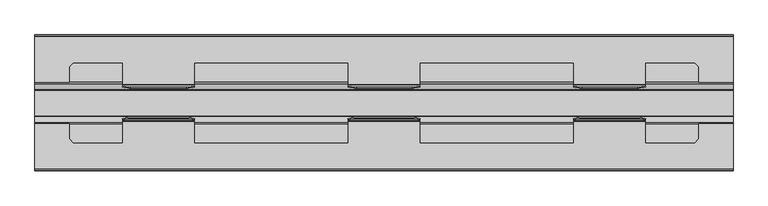
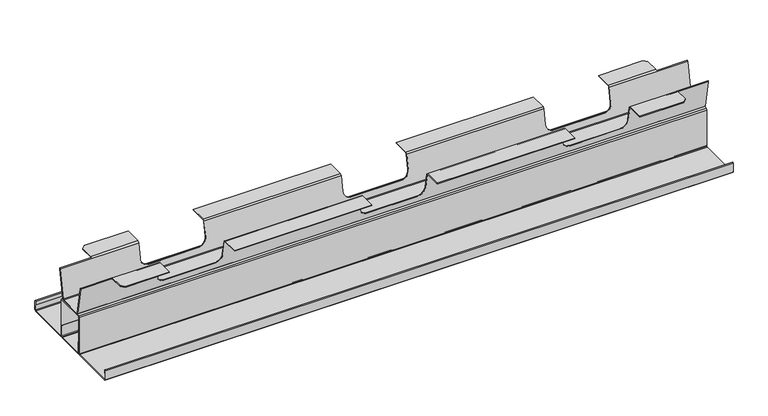
"""IFC4 building model written with IfcOpenShell, lengths in millimetres: furniture geometry."""

from ifc_helpers import new_model, si_unit, frame, origin, place, context, project, spatial, polyline, ellipse_curve, outline, extrude, source, transform, mapped, element, save
from ifc_brep_helpers import plane_surface, revolved_surface, advanced_brep


def furniture_8e0748b3(model_context):
    return source(origin(), model_context, "Body", "SolidModel", [
        extrude(outline(polyline([(66.6337896, 555.0452788), (151.2162125, 555.0452788), (152.4249985, 556.2540919), (152.4249985, 567.9120649), (151.0390002, 567.9120649), (151.0390002, 574.612092), (152.3390026, 575.9120853), (153.639005, 574.612092), (153.639005, 556.2540919), (151.211001, 553.8260788), (66.6390011, 553.8260788), (64.2110016, 556.2540919), (64.2110016, 630.3621048), (62.9969996, 631.5760569), (6.8530002, 631.5760569), (5.6389999, 630.3621048), (5.6389999, 556.2540936), (3.2109987, 553.8260788), (-81.3610012, 553.8260788), (-83.7890052, 556.2540919), (-83.7890052, 574.612092), (-82.4890028, 575.9120853), (-81.1890004, 574.612092), (-81.1890004, 567.9120649), (-82.5749987, 567.9120649), (-82.5749987, 556.2540919), (-81.3662127, 555.0452788), (3.2162102, 555.0452788), (4.4249999, 556.2540911), (4.4249999, 630.3621048), (6.8529276, 632.7900089), (62.9970722, 632.7900089), (65.4249991, 630.3621048), (65.4249991, 556.2540919), (66.6337896, 555.0452788)])), frame((74.6252, 0.0, 0.0), z_axis=(1.0, 0.0, 0.0), x_axis=(0.0, 1.0, 0.0)), (0.0, 0.0, 1.0), 1219.2),
        extrude(outline(polyline([(63.7110003, 555.6500954), (61.8870019, 553.8260788), (7.9630002, 553.8260788), (6.1390001, 555.6500954), (6.1390001, 578.826079), (7.0509998, 578.826079), (7.0509998, 555.6500954), (7.9630002, 554.7380871), (61.8870019, 554.7380871), (62.7990011, 555.6500954), (62.7990011, 578.826079), (63.7110003, 578.826079), (63.7110003, 555.6500954)])), frame((74.6252, 0.0, 0.0), z_axis=(1.0, 0.0, 0.0), x_axis=(0.0, 1.0, 0.0)), (0.0, 0.0, 1.0), 1219.2),
        advanced_brep(
        [(1293.8252, 68.6658146, 691.798691), (1293.8252, 58.7501476, 635.5641855), (1293.8252, 57.2543041, 634.3090296), (1293.8252, 12.6088257, 634.3090296), (1293.8252, 11.1129541, 635.5642082), (1293.8252, 1.1973192, 691.7986891), (1293.8252, -0.2985251, 693.0538451), (1293.8252, -0.2985251, 691.534897), (1293.8252, 9.6171096, 635.300416), (1293.8252, 12.6174087, 632.7900089), (1293.8252, 57.24572, 632.7900089), (1293.8252, 60.2459911, 635.3003935), (1293.8252, 70.1616581, 691.534899), (1293.8252, 70.1616581, 693.0538469), (74.6252, 70.1616581, 691.534899), (74.6252, 60.2459911, 635.3003935), (74.6252, 57.24572, 632.7900089), (74.6252, 12.6174087, 632.7900089), (74.6252, 9.6171096, 635.300416), (74.6252, -0.2985251, 691.534897), (74.6252, -0.2985251, 693.0538451), (74.6252, 1.1973192, 691.7986891), (74.6252, 11.1129541, 635.5642082), (74.6252, 12.6088257, 634.3090296), (74.6252, 57.2543041, 634.3090296), (74.6252, 58.7501476, 635.5641855), (74.6252, 68.6658146, 691.798691), (74.6252, 70.1616581, 693.0538469), (354.0125121, 104.1084527, 694.309001), (354.0125121, 71.6574993, 694.309001), (620.7252, 71.6574993, 694.309001), (620.7252, 104.1084527, 694.309001), (227.0125015, 71.6574993, 694.309001), (227.0125015, 104.1084527, 694.309001), (141.7625043, 104.1084527, 694.309001), (135.4201015, 97.7660499, 694.309001), (135.4201015, 71.6574993, 694.309001), (747.7252, 104.1084527, 694.309001), (747.7252, 71.6574993, 694.309001), (1014.4125015, 71.6574993, 694.309001), (1014.4125015, 104.1084527, 694.309001), (1141.4125015, 104.1084527, 694.309001), (1141.4125015, 71.6574993, 694.309001), (1233.0049015, 71.6574993, 694.309001), (1233.0049015, 97.7660544, 694.309001), (1226.6624578, 104.1084527, 694.309001), (227.0125015, 68.6658146, 691.798691), (135.4201015, 70.1616581, 693.0538469), (354.0125121, 68.6658146, 691.798691), (620.7252, 68.6658146, 691.798691), (747.7252, 68.6658146, 691.798691), (1014.4125015, 68.6658146, 691.798691), (1141.4125015, 68.6658146, 691.798691), (1233.0049015, 70.1616581, 693.0538469), (1141.4125015, 63.4659817, 662.308992), (1126.412545, 60.8210829, 647.3090355), (1029.4123992, 60.8210829, 647.3090355), (1014.4125015, 63.4659713, 662.3089332), (747.7252, 63.4659881, 662.3090283), (732.7252072, 60.8210829, 647.3090355), (635.7251565, 60.8210829, 647.3090355), (620.7252, 63.4659817, 662.308992), (354.0125121, 63.4659945, 662.3090647), (339.0124829, 60.8210829, 647.3090355), (242.0124589, 60.8210829, 647.3090355), (227.0125015, 63.4659818, 662.3089929), (227.0125015, 1.1973192, 691.7986891), (227.0125015, 6.3971371, 662.3089929), (242.0124589, 9.0420286, 647.3090355), (339.0124829, 9.0420286, 647.3090355), (354.0125121, 6.3971244, 662.3090647), (354.0125121, 1.1973192, 691.7986891), (620.7252, 1.1973192, 691.7986891), (620.7252, 6.3971372, 662.308992), (635.7251565, 9.0420286, 647.3090355), (732.7252072, 9.0420286, 647.3090355), (747.7252, 6.3971308, 662.3090283), (747.7252, 1.1973192, 691.7986891), (1014.4125015, 1.1973192, 691.7986891), (1014.4125015, 6.3971476, 662.3089332), (1029.4123992, 9.0420286, 647.3090355), (1126.412545, 9.0420286, 647.3090355), (1141.4125015, 6.3971372, 662.308992), (1141.4125015, 1.1973192, 691.7986891), (135.4201015, -0.2985251, 693.0538451), (135.4201015, -1.7943692, 694.309001), (227.0125015, -1.7943692, 694.309001), (1141.4125015, -1.7943692, 694.309001), (1233.0049015, -1.7943692, 694.309001), (1233.0049015, -0.2985251, 693.0538451), (354.0125121, -1.7943692, 694.309001), (620.7252, -1.7943692, 694.309001), (747.7252, -1.7943692, 694.309001), (1014.4125015, -1.7943692, 694.309001), (354.0125121, -34.2453184, 694.309001), (620.7252, -34.2453184, 694.309001), (227.0125015, -34.2453184, 694.309001), (135.4201015, -27.9029201, 694.309001), (141.7625043, -34.2453184, 694.309001), (747.7252, -34.2453184, 694.309001), (1014.4125015, -34.2453184, 694.309001), (1141.4125015, -34.2453184, 694.309001), (1226.6624578, -34.2453184, 694.309001), (1233.0049015, -27.9029246, 694.309001), (354.0125121, -34.2453184, 692.790053), (620.7252, -34.2453184, 692.790053), (227.0125015, -34.2453184, 692.790053), (141.7625043, -34.2453184, 692.790053), (747.7252, -34.2453184, 692.790053), (1014.4125015, -34.2453184, 692.790053), (1141.4125015, -34.2453184, 692.790053), (1226.6624578, -34.2453184, 692.790053), (354.0125121, -1.7943692, 692.790053), (620.7252, -1.7943692, 692.790053), (227.0125015, -1.7943692, 692.790053), (135.4201015, -27.9029201, 692.790053), (135.4201015, -1.7943692, 692.790053), (747.7252, -1.7943692, 692.790053), (1014.4125015, -1.7943692, 692.790053), (1141.4125015, -1.7943692, 692.790053), (1233.0049015, -1.7943692, 692.790053), (1233.0049015, -27.9029246, 692.790053), (354.0125121, -0.2985251, 691.534897), (620.7252, -0.2985251, 691.534897), (227.0125015, -0.2985251, 691.534897), (135.4201015, -0.2985251, 691.534897), (747.7252, -0.2985251, 691.534897), (1014.4125015, -0.2985251, 691.534897), (1141.4125015, -0.2985251, 691.534897), (1233.0049015, -0.2985251, 691.534897), (1141.4125015, 4.8547793, 662.308992), (1126.412545, 7.4996706, 647.3090355), (1029.4123992, 7.4996706, 647.3090355), (1014.4125015, 4.8547897, 662.3089332), (747.7252, 4.8547729, 662.3090283), (732.7252072, 7.4996706, 647.3090355), (635.7251565, 7.4996706, 647.3090355), (620.7252, 4.8547793, 662.308992), (354.0125121, 4.8547665, 662.3090647), (339.0124829, 7.4996706, 647.3090355), (242.0124589, 7.4996706, 647.3090355), (227.0125015, 4.8547791, 662.3089929), (135.4201015, 70.1616581, 691.534899), (227.0125015, 70.1616581, 691.534899), (227.0125015, 65.008339, 662.3089929), (242.0124589, 62.36344, 647.3090355), (339.0124829, 62.36344, 647.3090355), (354.0125121, 65.0083516, 662.3090647), (354.0125121, 70.1616581, 691.534899), (620.7252, 70.1616581, 691.534899), (620.7252, 65.0083388, 662.308992), (635.7251565, 62.36344, 647.3090355), (732.7252072, 62.36344, 647.3090355), (747.7252, 65.0083452, 662.3090283), (747.7252, 70.1616581, 691.534899), (1014.4125015, 70.1616581, 691.534899), (1014.4125015, 65.0083284, 662.3089332), (1029.4123992, 62.36344, 647.3090355), (1126.412545, 62.36344, 647.3090355), (1141.4125015, 65.0083388, 662.308992), (1141.4125015, 70.1616581, 691.534899), (1233.0049015, 70.1616581, 691.534899), (354.0125121, 71.6574993, 692.790053), (620.7252, 71.6574993, 692.790053), (227.0125015, 71.6574993, 692.790053), (135.4201015, 71.6574993, 692.790053), (747.7252, 71.6574993, 692.790053), (1014.4125015, 71.6574993, 692.790053), (1141.4125015, 71.6574993, 692.790053), (1233.0049015, 71.6574993, 692.790053), (354.0125121, 104.1084527, 692.790053), (620.7252, 104.1084527, 692.790053), (227.0125015, 104.1084527, 692.790053), (135.4201015, 97.7660499, 692.790053), (141.7625043, 104.1084527, 692.790053), (747.7252, 104.1084527, 692.790053), (1014.4125015, 104.1084527, 692.790053), (1141.4125015, 104.1084527, 692.790053), (1226.6624578, 104.1084527, 692.790053), (1233.0049015, 97.7660544, 692.790053)],
        [
            (0, 1),
            (1, 2),
            (2, 3),
            (3, 4),
            (4, 5),
            (5, 6),
            (6, 7),
            (7, 8),
            (8, 9),
            (9, 10),
            (10, 11),
            (11, 12),
            (12, 13),
            (13, 0),
            (14, 15),
            (15, 16),
            (16, 17),
            (17, 18),
            (18, 19),
            (19, 20),
            (20, 21),
            (21, 22),
            (22, 23),
            (23, 24),
            (24, 25),
            (25, 26),
            (26, 27),
            (27, 14),
            (28, 29),
            (29, 30),
            (30, 31),
            (31, 28),
            (32, 33),
            (33, 34),
            (34, 35),
            (35, 36),
            (36, 32),
            (37, 38),
            (38, 39),
            (39, 40),
            (40, 37),
            (41, 42),
            (42, 43),
            (43, 44),
            (44, 45),
            (45, 41),
            (26, 46),
            (46, 32),
            (36, 47),
            (47, 27),
            (29, 48),
            (48, 49),
            (49, 30),
            (38, 50),
            (50, 51),
            (51, 39),
            (52, 0),
            (13, 53),
            (53, 43),
            (42, 52),
            (52, 54),
            (54, 55, ellipse_curve(frame((1126.412545, 63.4659817, 662.308992), z_axis=(0.0, 0.984807733616993, -0.17364828766262555), x_axis=(0.0, -0.17364828766262422, -0.984807733616993)), 15.2313553, 14.9999565)),
            (55, 56),
            (56, 57, ellipse_curve(frame((1029.4123992, 63.4659713, 662.3089332), z_axis=(0.0, 0.984807733616993, -0.17364828766262555), x_axis=(0.0, -0.17364828766262422, -0.984807733616993)), 15.2312956, 14.9998977)),
            (57, 51),
            (50, 58),
            (58, 59, ellipse_curve(frame((732.7252072, 63.4659881, 662.3090283), z_axis=(0.0, 0.984807733616993, -0.17364828766262555), x_axis=(0.0, -0.17364828766262422, -0.984807733616993)), 15.2313922, 14.9999928)),
            (59, 60),
            (60, 61, ellipse_curve(frame((635.7251565, 63.4659817, 662.308992), z_axis=(0.0, 0.984807733616993, -0.17364828766262555), x_axis=(0.0, -0.17364828766262422, -0.984807733616993)), 15.2313553, 14.9999565)),
            (61, 49),
            (48, 62),
            (62, 63, ellipse_curve(frame((339.0124829, 63.4659945, 662.3090647), z_axis=(0.0, 0.984807733616993, -0.17364828766262555), x_axis=(0.0, -0.17364828766262422, -0.984807733616993)), 15.2314291, 15.0000292)),
            (63, 64),
            (64, 65, ellipse_curve(frame((242.0124589, 63.4659818, 662.3089929), z_axis=(0.0, 0.984807733616993, -0.17364828766262555), x_axis=(0.0, -0.17364828766262422, -0.984807733616993)), 15.2313563, 14.9999574)),
            (65, 46),
            (25, 1),
            (24, 2),
            (23, 3),
            (22, 4),
            (21, 66),
            (66, 67),
            (67, 68, ellipse_curve(frame((242.0124589, 6.3971371, 662.3089929), z_axis=(0.0, -0.9848078168567894, -0.17364781558592796), x_axis=(0.0, -0.17364781558592746, 0.9848078168567894)), 15.231355, 14.9999574)),
            (68, 69),
            (69, 70, ellipse_curve(frame((339.0124829, 6.3971244, 662.3090647), z_axis=(0.0, -0.9848078168567894, -0.17364781558592796), x_axis=(0.0, -0.17364781558592746, 0.9848078168567894)), 15.2314278, 15.0000292)),
            (70, 71),
            (71, 72),
            (72, 73),
            (73, 74, ellipse_curve(frame((635.7251565, 6.3971372, 662.308992), z_axis=(0.0, -0.9848078168567894, -0.17364781558592796), x_axis=(0.0, -0.17364781558592746, 0.9848078168567894)), 15.231354, 14.9999565)),
            (74, 75),
            (75, 76, ellipse_curve(frame((732.7252072, 6.3971308, 662.3090283), z_axis=(0.0, -0.9848078168567894, -0.17364781558592796), x_axis=(0.0, -0.17364781558592746, 0.9848078168567894)), 15.2313909, 14.9999928)),
            (76, 77),
            (77, 78),
            (78, 79),
            (79, 80, ellipse_curve(frame((1029.4123992, 6.3971476, 662.3089332), z_axis=(0.0, -0.9848078168567894, -0.17364781558592796), x_axis=(0.0, -0.17364781558592746, 0.9848078168567894)), 15.2312943, 14.9998977)),
            (80, 81),
            (81, 82, ellipse_curve(frame((1126.412545, 6.3971372, 662.308992), z_axis=(0.0, -0.9848078168567894, -0.17364781558592796), x_axis=(0.0, -0.17364781558592746, 0.9848078168567894)), 15.231354, 14.9999565)),
            (82, 83),
            (83, 5),
            (20, 84),
            (84, 85),
            (85, 86),
            (86, 66),
            (83, 87),
            (87, 88),
            (88, 89),
            (89, 6),
            (71, 90),
            (90, 91),
            (91, 72),
            (77, 92),
            (92, 93),
            (93, 78),
            (90, 94),
            (94, 95),
            (95, 91),
            (96, 86),
            (85, 97),
            (97, 98),
            (98, 96),
            (92, 99),
            (99, 100),
            (100, 93),
            (87, 101),
            (101, 102),
            (102, 103),
            (103, 88),
            (94, 104),
            (104, 105),
            (105, 95),
            (106, 96),
            (98, 107),
            (107, 106),
            (99, 108),
            (108, 109),
            (109, 100),
            (101, 110),
            (110, 111),
            (111, 102),
            (104, 112),
            (112, 113),
            (113, 105),
            (114, 106),
            (107, 115),
            (115, 116),
            (116, 114),
            (108, 117),
            (117, 118),
            (118, 109),
            (110, 119),
            (119, 120),
            (120, 121),
            (121, 111),
            (112, 122),
            (122, 123),
            (123, 113),
            (124, 114),
            (116, 125),
            (125, 124),
            (117, 126),
            (126, 127),
            (127, 118),
            (119, 128),
            (128, 129),
            (129, 120),
            (7, 129),
            (128, 130),
            (130, 131, ellipse_curve(frame((1126.412545, 4.8547793, 662.308992), z_axis=(0.0, 0.9848078178123786, 0.1736478101665005), x_axis=(0.0, -0.17364781016650066, 0.9848078178123785)), 15.231354, 14.9999565)),
            (131, 132),
            (132, 133, ellipse_curve(frame((1029.4123992, 4.8547897, 662.3089332), z_axis=(0.0, 0.9848078178123786, 0.1736478101665005), x_axis=(0.0, -0.17364781016650066, 0.9848078178123785)), 15.2312943, 14.9998977)),
            (133, 127),
            (126, 134),
            (134, 135, ellipse_curve(frame((732.7252072, 4.8547729, 662.3090283), z_axis=(0.0, 0.9848078178123786, 0.1736478101665005), x_axis=(0.0, -0.17364781016650066, 0.9848078178123785)), 15.2313909, 14.9999928)),
            (135, 136),
            (136, 137, ellipse_curve(frame((635.7251565, 4.8547793, 662.308992), z_axis=(0.0, 0.9848078178123786, 0.1736478101665005), x_axis=(0.0, -0.17364781016650066, 0.9848078178123785)), 15.231354, 14.9999565)),
            (137, 123),
            (122, 138),
            (138, 139, ellipse_curve(frame((339.0124829, 4.8547665, 662.3090647), z_axis=(0.0, 0.9848078178123786, 0.1736478101665005), x_axis=(0.0, -0.17364781016650066, 0.9848078178123785)), 15.2314278, 15.0000292)),
            (139, 140),
            (140, 141, ellipse_curve(frame((242.0124589, 4.8547791, 662.3089929), z_axis=(0.0, 0.9848078178123786, 0.1736478101665005), x_axis=(0.0, -0.17364781016650066, 0.9848078178123785)), 15.2313549, 14.9999574)),
            (141, 124),
            (125, 19),
            (18, 8),
            (17, 9),
            (16, 10),
            (15, 11),
            (14, 142),
            (142, 143),
            (143, 144),
            (144, 145, ellipse_curve(frame((242.0124589, 65.008339, 662.3089929), z_axis=(0.0, -0.984807733616993, 0.17364828766262555), x_axis=(0.0, -0.17364828766262422, -0.984807733616993)), 15.2313563, 14.9999574)),
            (145, 146),
            (146, 147, ellipse_curve(frame((339.0124829, 65.0083516, 662.3090647), z_axis=(0.0, -0.984807733616993, 0.17364828766262555), x_axis=(0.0, -0.17364828766262422, -0.984807733616993)), 15.2314291, 15.0000292)),
            (147, 148),
            (148, 149),
            (149, 150),
            (150, 151, ellipse_curve(frame((635.7251565, 65.0083388, 662.308992), z_axis=(0.0, -0.984807733616993, 0.17364828766262555), x_axis=(0.0, -0.17364828766262422, -0.984807733616993)), 15.2313553, 14.9999565)),
            (151, 152),
            (152, 153, ellipse_curve(frame((732.7252072, 65.0083452, 662.3090283), z_axis=(0.0, -0.984807733616993, 0.17364828766262555), x_axis=(0.0, -0.17364828766262422, -0.984807733616993)), 15.2313922, 14.9999928)),
            (153, 154),
            (154, 155),
            (155, 156),
            (156, 157, ellipse_curve(frame((1029.4123992, 65.0083284, 662.3089332), z_axis=(0.0, -0.984807733616993, 0.17364828766262555), x_axis=(0.0, -0.17364828766262422, -0.984807733616993)), 15.2312956, 14.9998977)),
            (157, 158),
            (158, 159, ellipse_curve(frame((1126.412545, 65.0083388, 662.308992), z_axis=(0.0, -0.984807733616993, 0.17364828766262555), x_axis=(0.0, -0.17364828766262422, -0.984807733616993)), 15.2313553, 14.9999565)),
            (159, 160),
            (160, 161),
            (161, 12),
            (148, 162),
            (162, 163),
            (163, 149),
            (164, 143),
            (142, 165),
            (165, 164),
            (154, 166),
            (166, 167),
            (167, 155),
            (160, 168),
            (168, 169),
            (169, 161),
            (162, 170),
            (170, 171),
            (171, 163),
            (172, 164),
            (165, 173),
            (173, 174),
            (174, 172),
            (166, 175),
            (175, 176),
            (176, 167),
            (168, 177),
            (177, 178),
            (178, 179),
            (179, 169),
            (170, 28),
            (31, 171),
            (33, 172),
            (174, 34),
            (175, 37),
            (40, 176),
            (177, 41),
            (45, 178),
            (68, 140),
            (139, 69),
            (145, 64),
            (63, 146),
            (138, 70),
            (62, 147),
            (141, 67),
            (65, 144),
            (137, 73),
            (61, 150),
            (136, 74),
            (60, 151),
            (135, 75),
            (59, 152),
            (134, 76),
            (58, 153),
            (133, 79),
            (57, 156),
            (132, 80),
            (56, 157),
            (131, 81),
            (55, 158),
            (130, 82),
            (54, 159),
            (47, 142),
            (35, 173),
            (97, 115),
            (84, 125),
            (44, 179),
            (53, 161),
            (89, 129),
            (103, 121),
        ],
        [
            plane_surface(frame((1293.8252, 177.268545, 694.309001), z_axis=(1.0, 0.0, 0.0), x_axis=(0.0, -1.0, 0.0))),
            plane_surface(frame((74.6252, 177.268545, 694.309001), z_axis=(-1.0, 0.0, 0.0), x_axis=(0.0, 1.0, 0.0))),
            plane_surface(frame((1293.8252, 104.1084527, 694.309001), z_axis=(0.0, 0.0, 1.0), x_axis=(-1.0, 0.0, 0.0))),
            plane_surface(frame((1293.8252, 71.6574993, 694.309001), z_axis=(0.0, -0.6427858789075498, 0.7660458954116579), x_axis=(-1.0, 0.0, 0.0))),
            plane_surface(frame((1293.8252, 68.6658146, 691.798691), z_axis=(0.0, -0.984807733616993, 0.17364828766262555), x_axis=(-1.0, 0.0, 0.0))),
            plane_surface(frame((1293.8252, 58.7501476, 635.5641855), z_axis=(0.0, -0.642785878907542, 0.7660458954116646), x_axis=(-1.0, 0.0, 0.0))),
            plane_surface(frame((1293.8252, 57.2543041, 634.3090296), z_axis=(0.0, 0.0, 1.0), x_axis=(-1.0, 0.0, 0.0))),
            plane_surface(frame((1293.8252, 12.6088257, 634.3090296), z_axis=(0.0, 0.6427855925789651, 0.7660461356686743), x_axis=(-1.0, 0.0, 0.0))),
            plane_surface(frame((1293.8252, 11.1129541, 635.5642082), z_axis=(0.0, 0.9848078168567894, 0.17364781558592796), x_axis=(-1.0, 0.0, 0.0))),
            plane_surface(frame((1293.8252, 1.1973192, 691.7986891), z_axis=(0.0, 0.6427856999521477, 0.7660460455723451), x_axis=(-1.0, 0.0, 0.0))),
            plane_surface(frame((1293.8252, -1.7943692, 694.309001), z_axis=(0.0, 0.0, 1.0), x_axis=(-1.0, 0.0, 0.0))),
            plane_surface(frame((1293.8252, -34.2453184, 694.309001), z_axis=(0.0, -1.0, 0.0), x_axis=(-1.0, 0.0, 0.0))),
            plane_surface(frame((1293.8252, -34.2453184, 692.790053), z_axis=(0.0, 0.0, -1.0), x_axis=(-1.0, 0.0, 0.0))),
            plane_surface(frame((1293.8252, -1.7943692, 692.790053), z_axis=(0.0, -0.6427857088999087, -0.7660460380643201), x_axis=(-1.0, 0.0, 0.0))),
            plane_surface(frame((1293.8252, -0.2985251, 691.534897), z_axis=(0.0, -0.9848078178123786, -0.1736478101665005), x_axis=(-1.0, 0.0, 0.0))),
            plane_surface(frame((1293.8252, 9.6171096, 635.300416), z_axis=(0.0, -0.6417155214368592, -0.7669427550652135), x_axis=(-1.0, 0.0, 0.0))),
            plane_surface(frame((1293.8252, 12.6174087, 632.7900089), z_axis=(0.0, 0.0, -1.0), x_axis=(-1.0, 0.0, 0.0))),
            plane_surface(frame((1293.8252, 57.24572, 632.7900089), z_axis=(0.0, 0.641715664287755, -0.7669426355391422), x_axis=(-1.0, 0.0, 0.0))),
            plane_surface(frame((1293.8252, 60.2459911, 635.3003935), z_axis=(0.0, 0.984807733616993, -0.17364828766262555), x_axis=(-1.0, 0.0, 0.0))),
            plane_surface(frame((1293.8252, 70.1616581, 691.534899), z_axis=(0.0, 0.642785878907543, -0.7660458954116637), x_axis=(-1.0, 0.0, 0.0))),
            plane_surface(frame((1293.8252, 71.6574993, 692.790053), z_axis=(0.0, 0.0, -1.0), x_axis=(-1.0, 0.0, 0.0))),
            plane_surface(frame((1293.8252, 104.1084527, 692.790053), z_axis=(0.0, 1.0, 0.0), x_axis=(-1.0, 0.0, 0.0))),
            plane_surface(frame((242.0124589, -94.4678188, 647.3090355), z_axis=(2.331791914452524e-12, 0.0, 1.0), x_axis=(0.0, 1.0, 0.0))),
            revolved_surface(polyline([(354.0125121, 2.2098624168208403, 662.3090647), (354.0125121, 9.042028600000009, 662.3090647)]), (339.0124829, 160.9401572, 662.3090647), (0.0, -1.0, 0.0)),
            revolved_surface(polyline([(354.0125121, 60.82108289999999, 662.3090647), (354.0125121, 67.65326318186966, 662.3090647)]), (339.0124829, 160.9401572, 662.3090647), (0.0, -1.0, 0.0)),
            plane_surface(frame((354.0125121, -94.4678188, 662.3090647), z_axis=(-1.0, 0.0, 0.0), x_axis=(0.0, 1.0, 0.0))),
            plane_surface(frame((227.0125015, -94.4678188, 694.309001), z_axis=(1.0, 0.0, 0.0), x_axis=(0.0, 1.0, 0.0))),
            revolved_surface(polyline([(257.01241630000004, 2.209887675746188, 662.3089929), (257.01241630000004, 9.042028624163805, 662.3089929)]), (242.0124589, 160.9401572, 662.3089929), (0.0, -1.0, 0.0)),
            revolved_surface(polyline([(257.01241630000004, 60.82108285972569, 662.3089929), (257.01241630000004, 67.65323794027432, 662.3089929)]), (242.0124589, 160.9401572, 662.3089929), (0.0, -1.0, 0.0)),
            plane_surface(frame((620.7252, -94.4678188, 694.309001), z_axis=(1.0, 0.0, 0.0), x_axis=(0.0, 1.0, 0.0))),
            revolved_surface(polyline([(650.7251130000001, 2.2098880320292267, 662.308992), (650.7251130000001, 9.042028600000009, 662.308992)]), (635.7251565, 160.9401572, 662.308992), (0.0, -1.0, 0.0)),
            revolved_surface(polyline([(650.7251130000001, 60.82108289999999, 662.308992), (650.7251130000001, 67.65323756662605, 662.308992)]), (635.7251565, 160.9401572, 662.308992), (0.0, -1.0, 0.0)),
            plane_surface(frame((635.7251565, -94.4678188, 647.3090355), z_axis=(0.0, 0.0, 1.0), x_axis=(0.0, 1.0, 0.0))),
            revolved_surface(polyline([(747.7252, 2.2098752244250477, 662.3090283), (747.7252, 9.042028600000009, 662.3090283)]), (732.7252072, 160.9401572, 662.3090283), (0.0, -1.0, 0.0)),
            revolved_surface(polyline([(747.7252, 60.82108289999999, 662.3090283), (747.7252, 67.65325037424785, 662.3090283)]), (732.7252072, 160.9401572, 662.3090283), (0.0, -1.0, 0.0)),
            plane_surface(frame((747.7252, -94.4678188, 662.3090283), z_axis=(-1.0, 0.0, 0.0), x_axis=(0.0, 1.0, 0.0))),
            plane_surface(frame((1014.4125015, -94.4678188, 694.309001), z_axis=(1.0, 0.0, 0.0), x_axis=(0.0, 1.0, 0.0))),
            revolved_surface(polyline([(1044.4122969, 2.2099087988034967, 662.3089332), (1044.4122969, 9.042028600000009, 662.3089332)]), (1029.4123992, 160.9401572, 662.3089332), (0.0, -1.0, 0.0)),
            revolved_surface(polyline([(1044.4122969, 60.82108289999999, 662.3089332), (1044.4122969, 67.65321679982326, 662.3089332)]), (1029.4123992, 160.9401572, 662.3089332), (0.0, -1.0, 0.0)),
            plane_surface(frame((1029.4123992, -94.4678188, 647.3090355), z_axis=(0.0, 0.0, 1.0), x_axis=(0.0, 1.0, 0.0))),
            revolved_surface(polyline([(1141.4125015, 2.2098880320292267, 662.308992), (1141.4125015, 9.042028600000009, 662.308992)]), (1126.412545, 160.9401572, 662.308992), (0.0, -1.0, 0.0)),
            revolved_surface(polyline([(1141.4125015, 60.82108289999999, 662.308992), (1141.4125015, 67.65323756662605, 662.308992)]), (1126.412545, 160.9401572, 662.308992), (0.0, -1.0, 0.0)),
            plane_surface(frame((1141.4125015, -94.4678188, 662.308992), z_axis=(-1.0, 0.0, 0.0), x_axis=(0.0, 1.0, 0.0))),
            plane_surface(frame((74.6252, 70.1616581, 763.8300464), z_axis=(0.0, 1.0, 0.0), x_axis=(0.0, 0.0, -1.0))),
            plane_surface(frame((135.4201015, 70.1616581, 763.8300464), z_axis=(-1.0, 0.0, 0.0), x_axis=(0.0, 0.0, -1.0))),
            plane_surface(frame((135.4201015, 97.7660499, 763.8300464), z_axis=(-0.7071067811865476, 0.7071067811865476, 0.0), x_axis=(0.0, 0.0, -1.0))),
            plane_surface(frame((141.7625043, -34.2453184, 763.8300464), z_axis=(-0.7071065283054382, -0.7071070340675666, 0.0), x_axis=(0.0, 0.0, -1.0))),
            plane_surface(frame((135.4201015, -27.9029201, 763.8300464), z_axis=(-1.0, 0.0, 0.0), x_axis=(0.0, 0.0, -1.0))),
            plane_surface(frame((135.4201015, -0.2985251, 763.8300464), z_axis=(0.0, -1.0, 0.0), x_axis=(0.0, 0.0, -1.0))),
            plane_surface(frame((1226.6624578, 104.1084527, 732.0198266), z_axis=(0.70710425238159, 0.7071093099824615, 0.0), x_axis=(0.0, 0.0, -1.0))),
            plane_surface(frame((1233.0049015, 97.7660544, 732.0198266), z_axis=(1.0, 0.0, 0.0), x_axis=(0.0, 0.0, -1.0))),
            plane_surface(frame((1233.0049015, 70.1616581, 732.0198266), z_axis=(0.0, 1.0, 0.0), x_axis=(0.0, 0.0, -1.0))),
            plane_surface(frame((1293.8252, -0.2985251, 732.0198266), z_axis=(0.0, -1.0, 0.0), x_axis=(0.0, 0.0, -1.0))),
            plane_surface(frame((1233.0049015, -0.2985251, 732.0198266), z_axis=(1.0, 0.0, 0.0), x_axis=(0.0, 0.0, -1.0))),
            plane_surface(frame((1233.0049015, -27.9029246, 732.0198266), z_axis=(0.7071039994992563, -0.7071095628628961, 0.0), x_axis=(0.0, 0.0, -1.0))),
        ],
        [
            (0, [[1, 2, 3, 4, 5, 6, 7, 8, 9, 10, 11, 12, 13, 14]]),
            (1, [[15, 16, 17, 18, 19, 20, 21, 22, 23, 24, 25, 26, 27, 28]]),
            (2, [[29, 30, 31, 32]]),
            (2, [[33, 34, 35, 36, 37]]),
            (2, [[38, 39, 40, 41]]),
            (2, [[42, 43, 44, 45, 46]]),
            (3, [[47, 48, -37, 49, 50, -27]]),
            (3, [[51, 52, 53, -30]]),
            (3, [[54, 55, 56, -39]]),
            (3, [[57, -14, 58, 59, -43, 60]]),
            (4, [[-1, -57, 61, 62, 63, 64, 65, -55, 66, 67, 68, 69, 70, -52, 71, 72, 73, 74, 75, -47, -26, 76]]),
            (5, [[-2, -76, -25, 77]]),
            (6, [[-3, -77, -24, 78]]),
            (7, [[-4, -78, -23, 79]]),
            (8, [[-5, -79, -22, 80, 81, 82, 83, 84, 85, 86, 87, 88, 89, 90, 91, 92, 93, 94, 95, 96, 97, 98]]),
            (9, [[-80, -21, 99, 100, 101, 102]]),
            (9, [[-98, 103, 104, 105, 106, -6]]),
            (9, [[107, 108, 109, -86]]),
            (9, [[110, 111, 112, -92]]),
            (10, [[113, 114, 115, -108]]),
            (10, [[116, -101, 117, 118, 119]]),
            (10, [[120, 121, 122, -111]]),
            (10, [[123, 124, 125, 126, -104]]),
            (11, [[127, 128, 129, -114]]),
            (11, [[130, -119, 131, 132]]),
            (11, [[133, 134, 135, -121]]),
            (11, [[136, 137, 138, -124]]),
            (12, [[139, 140, 141, -128]]),
            (12, [[142, -132, 143, 144, 145]]),
            (12, [[146, 147, 148, -134]]),
            (12, [[149, 150, 151, 152, -137]]),
            (13, [[153, 154, 155, -140]]),
            (13, [[156, -145, 157, 158]]),
            (13, [[159, 160, 161, -147]]),
            (13, [[162, 163, 164, -150]]),
            (14, [[-8, 165, -163, 166, 167, 168, 169, 170, -160, 171, 172, 173, 174, 175, -154, 176, 177, 178, 179, 180, -158, 181, -19, 182]]),
            (15, [[-9, -182, -18, 183]]),
            (16, [[-10, -183, -17, 184]]),
            (17, [[-11, -184, -16, 185]]),
            (18, [[-12, -185, -15, 186, 187, 188, 189, 190, 191, 192, 193, 194, 195, 196, 197, 198, 199, 200, 201, 202, 203, 204, 205, 206]]),
            (19, [[207, 208, 209, -193]]),
            (19, [[210, -187, 211, 212]]),
            (19, [[213, 214, 215, -199]]),
            (19, [[216, 217, 218, -205]]),
            (20, [[219, 220, 221, -208]]),
            (20, [[222, -212, 223, 224, 225]]),
            (20, [[226, 227, 228, -214]]),
            (20, [[229, 230, 231, 232, -217]]),
            (21, [[233, -32, 234, -220]]),
            (21, [[235, -225, 236, -34]]),
            (21, [[237, -41, 238, -227]]),
            (21, [[239, -46, 240, -230]]),
            (22, [[241, -178, 242, -83]]),
            (22, [[243, -73, 244, -190]]),
            (23, [[-242, -177, 245, -84]]),
            (24, [[-244, -72, 246, -191]]),
            (25, [[-245, -176, -153, -139, -127, -113, -107, -85]]),
            (25, [[-246, -71, -51, -29, -233, -219, -207, -192]]),
            (26, [[247, -81, -102, -116, -130, -142, -156, -180]]),
            (26, [[248, -188, -210, -222, -235, -33, -48, -75]]),
            (27, [[-241, -82, -247, -179]]),
            (28, [[-243, -189, -248, -74]]),
            (29, [[249, -87, -109, -115, -129, -141, -155, -175]]),
            (29, [[250, -194, -209, -221, -234, -31, -53, -70]]),
            (30, [[-249, -174, 251, -88]]),
            (31, [[-250, -69, 252, -195]]),
            (32, [[-251, -173, 253, -89]]),
            (32, [[-252, -68, 254, -196]]),
            (33, [[-253, -172, 255, -90]]),
            (34, [[-254, -67, 256, -197]]),
            (35, [[-255, -171, -159, -146, -133, -120, -110, -91]]),
            (35, [[-256, -66, -54, -38, -237, -226, -213, -198]]),
            (36, [[257, -93, -112, -122, -135, -148, -161, -170]]),
            (36, [[258, -200, -215, -228, -238, -40, -56, -65]]),
            (37, [[-257, -169, 259, -94]]),
            (38, [[-258, -64, 260, -201]]),
            (39, [[-259, -168, 261, -95]]),
            (39, [[-260, -63, 262, -202]]),
            (40, [[-261, -167, 263, -96]]),
            (41, [[-262, -62, 264, -203]]),
            (42, [[-263, -166, -162, -149, -136, -123, -103, -97]]),
            (42, [[-264, -61, -60, -42, -239, -229, -216, -204]]),
            (43, [[265, -186, -28, -50]]),
            (44, [[-265, -49, -36, 266, -223, -211]]),
            (45, [[-266, -35, -236, -224]]),
            (46, [[267, -143, -131, -118]]),
            (47, [[-267, -117, -100, 268, -157, -144]]),
            (48, [[-268, -99, -20, -181]]),
            (49, [[269, -231, -240, -45]]),
            (50, [[-269, -44, -59, 270, -218, -232]]),
            (51, [[-270, -58, -13, -206]]),
            (52, [[271, -165, -7, -106]]),
            (53, [[-271, -105, -126, 272, -151, -164]]),
            (54, [[-272, -125, -138, -152]]),
        ],
    ),
    ])


if __name__ == "__main__":
    model = new_model("IFC4")
    model_context = context("Model", 3, world=origin())
    ifc_project = project(units=[si_unit("LENGTHUNIT", "METRE", prefix="MILLI")], contexts=[model_context])
    site = spatial("IfcSite", under=ifc_project)
    building = spatial("IfcBuilding", under=site)
    placement = place(None, origin())
    furniture_shape = furniture_8e0748b3(model_context)
    element("IfcFurniture", 1, at=placement, inside=building, context=model_context, shape_type="MappedRepresentation", body=[
        mapped(furniture_shape, transform((0.0, 0.0, 0.0), x_axis=(1.0, 0.0, 0.0), y_axis=(0.0, 1.0, 0.0), z_axis=(0.0, 0.0, 1.0))),
    ])
    save(model, "model.ifc")
